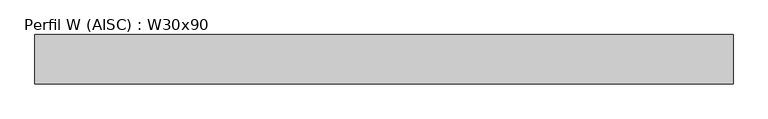
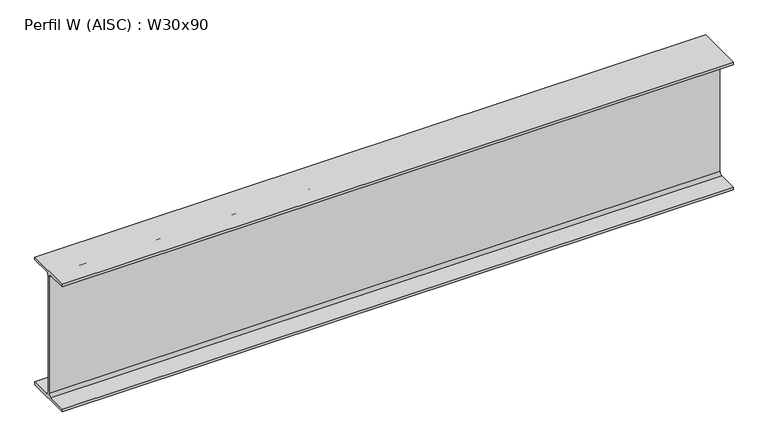
"""IFC4 building model written with IfcOpenShell, lengths in millimetres: beam geometry, Perfil W (AISC) : W30x90."""

from ifc_helpers import new_model, si_unit, point, frame, frame_2d, origin, place, context, project, spatial, polyline, circle_curve, trimmed, segment, composite_curve, outline, extrude, source, transform, mapped, element, save


def perfil_w_aisc_w30x90_b5d34075(model_context):
    return source(origin(), model_context, "Body", "SweptSolid", [
        extrude(outline(composite_curve([segment(polyline([(132.0, -359.0), (132.0, -374.5), (-132.0, -374.5), (-132.0, -359.0), (-22.45, -359.0)]), True, "CONTINUOUS"), segment(trimmed(circle_curve(frame_2d((-22.45, -342.5)), 16.5), [point((-22.45, -359.0))], [point((-5.95, -342.5))], True, "CARTESIAN"), True, "CONTINUOUS"), segment(polyline([(-5.95, -342.5), (-5.95, 342.5)]), True, "CONTINUOUS"), segment(trimmed(circle_curve(frame_2d((-22.45, 342.5)), 16.5), [point((-5.95, 342.5))], [point((-22.45, 359.0))], True, "CARTESIAN"), True, "CONTINUOUS"), segment(polyline([(-22.45, 359.0), (-132.0, 359.0), (-132.0, 374.5), (132.0, 374.5), (132.0, 359.0), (22.45, 359.0)]), True, "CONTINUOUS"), segment(trimmed(circle_curve(frame_2d((22.45, 342.5)), 16.5), [point((22.45, 359.0))], [point((5.95, 342.5))], True, "CARTESIAN"), True, "CONTINUOUS"), segment(polyline([(5.95, 342.5), (5.95, -342.5)]), True, "CONTINUOUS"), segment(trimmed(circle_curve(frame_2d((22.45, -342.5)), 16.5), [point((5.95, -342.5))], [point((22.45, -359.0))], True, "CARTESIAN"), True, "CONTINUOUS"), segment(polyline([(22.45, -359.0), (132.0, -359.0)]), True, "CONTINUOUS")], self_intersect=False)), frame((-1862.3, 0.0, 0.0), z_axis=(1.0, 0.0, 0.0), x_axis=(0.0, 1.0, 0.0)), (0.0, 0.0, 1.0), 3724.6),
    ])


if __name__ == "__main__":
    model = new_model("IFC4")
    model_context = context("Model", 3, world=origin())
    ifc_project = project(units=[si_unit("LENGTHUNIT", "METRE", prefix="MILLI")], contexts=[model_context])
    site = spatial("IfcSite", under=ifc_project)
    building = spatial("IfcBuilding", under=site)
    placement = place(None, origin())
    perfil_w_aisc_w30x90_shape = perfil_w_aisc_w30x90_b5d34075(model_context)
    element("IfcBeam", 1, ObjectType="Perfil W (AISC) : W30x90", at=placement, inside=building, context=model_context, shape_type="MappedRepresentation", body=[
        mapped(perfil_w_aisc_w30x90_shape, transform((0.0, 0.0, 0.0), x_axis=(1.0, 0.0, 0.0), y_axis=(0.0, 1.0, 0.0), z_axis=(0.0, 0.0, 1.0))),
    ])
    save(model, "model.ifc")
